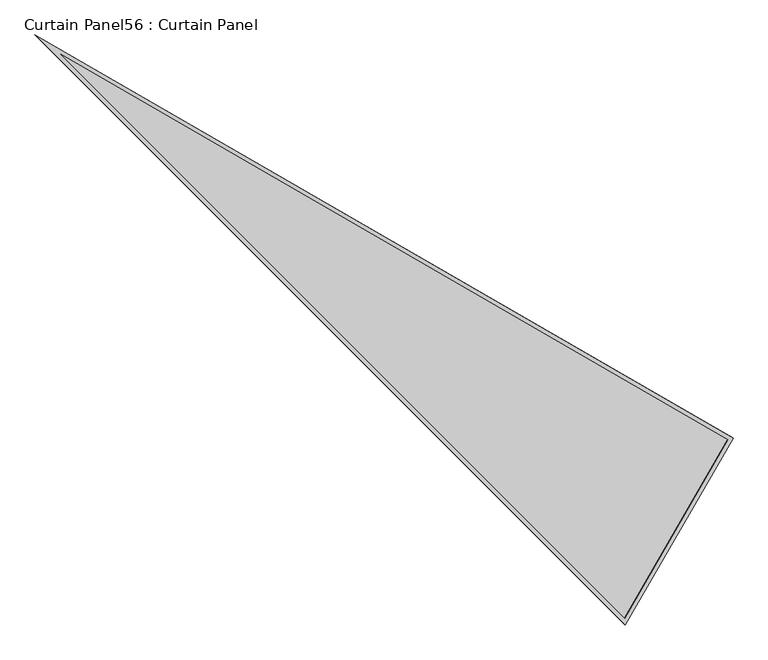
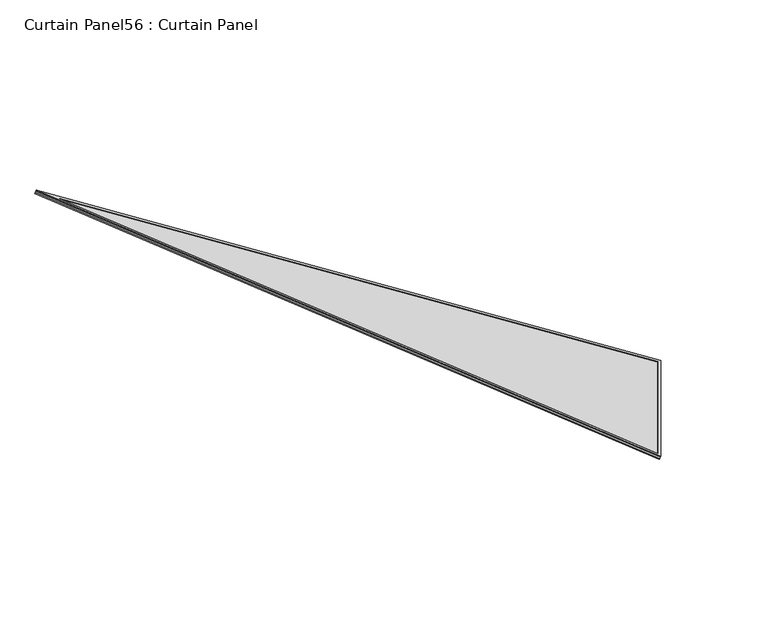
"""IFC4 building model written with IfcOpenShell, lengths in millimetres: plate geometry, Curtain Panel56 : Curtain Panel."""

from ifc_helpers import new_model, si_unit, frame, origin, place, context, project, spatial, polyline, outline, extrude, source, transform, mapped, element, save


def curtain_panel56_curtain_panel_6ac4c147(model_context):
    return source(origin(), model_context, "Body", "SweptSolid", [
        extrude(outline(polyline([(895.9373554, 0.0), (0.0, -3524.4506618), (0.0, 0.0), (895.9373554, 0.0)]), holes=[polyline([(874.508816, -16.6627979), (16.6627979, -16.6627978), (16.6627978, -3391.2692345), (874.508816, -16.6627979)])]), frame((17613.8354119, -2747.1124366, 898.7010357), z_axis=(0.27379031486167593, -0.1580729119869038, 0.9487106081329147), x_axis=(-0.5000000000000059, -0.8660254037844354, 0.0)), (0.0, 0.0, 1.0), 4.8308277),
        extrude(outline(polyline([(895.9373554, 0.0), (0.0, -3524.4506618), (0.0, 0.0), (895.9373554, 0.0)]), holes=[polyline([(882.6749851, -10.3127979), (10.3127979, -10.3127979), (10.3127979, -3442.0231397), (882.6749851, -10.3127979)])]), frame((17609.0090561, -2744.3259387, 881.9772337), z_axis=(0.27379031486166866, -0.1580729119869, 0.9487106081329176), x_axis=(-0.5000000000000064, -0.8660254037844349, 0.0)), (0.0, 0.0, 1.0), 4.7745332),
        extrude(outline(polyline([(12.7, 0.0), (908.6373554, 0.0), (12.7, -3524.4506618), (12.7, 0.0)])), frame((17616.666277, -2734.0821405, 886.506884), z_axis=(0.27379031486167693, -0.15807291198690487, 0.9487106081329144), x_axis=(-0.5000000000000074, -0.8660254037844344, 0.0)), (0.0, 0.0, 1.0), 12.8533944),
    ])


if __name__ == "__main__":
    model = new_model("IFC4")
    model_context = context("Model", 3, world=origin())
    ifc_project = project(units=[si_unit("LENGTHUNIT", "METRE", prefix="MILLI")], contexts=[model_context])
    site = spatial("IfcSite", under=ifc_project)
    building = spatial("IfcBuilding", under=site)
    placement = place(None, origin())
    curtain_panel56_curtain_panel_shape = curtain_panel56_curtain_panel_6ac4c147(model_context)
    element("IfcPlate", 1, ObjectType="Curtain Panel56 : Curtain Panel", at=placement, inside=building, context=model_context, shape_type="MappedRepresentation", body=[
        mapped(curtain_panel56_curtain_panel_shape, transform((0.0, 0.0, 0.0), x_axis=(1.0, 0.0, 0.0), y_axis=(0.0, 1.0, 0.0), z_axis=(0.0, 0.0, 1.0))),
    ])
    save(model, "model.ifc")
